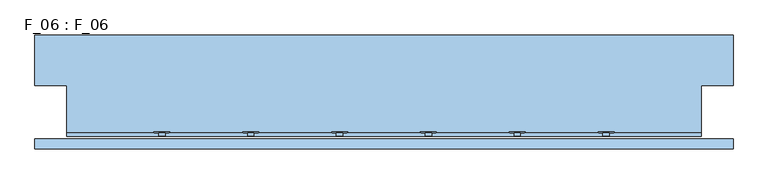
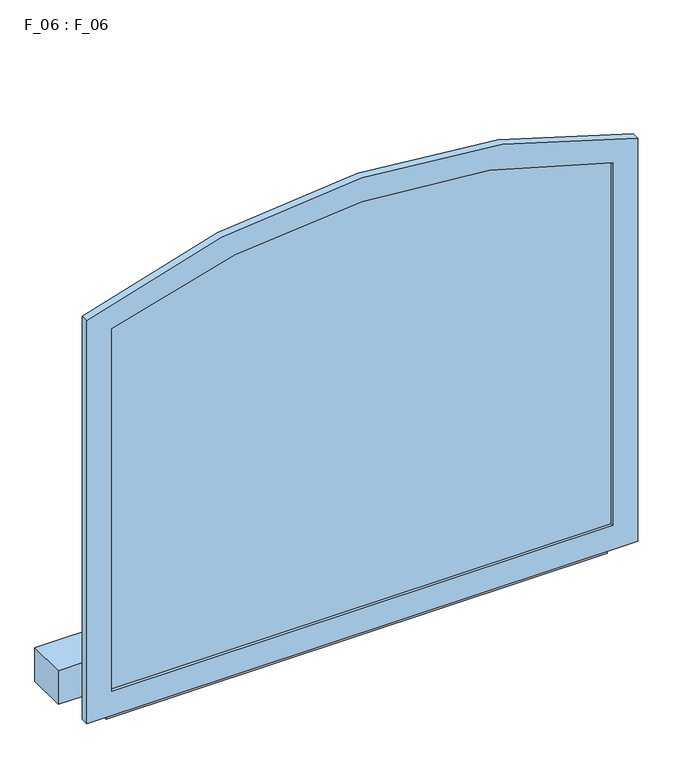
"""IFC4 building model written with IfcOpenShell, lengths in millimetres: window geometry, F_06 : F_06."""

from ifc_helpers import new_model, si_unit, point, frame, frame_2d, origin, place, context, project, spatial, polyline, circle_curve, trimmed, segment, composite_curve, outline, extrude, source, transform, mapped, element, save


def f_06_f_06_097354a1(model_context):
    return source(origin(), model_context, "Body", "SweptSolid", [
        extrude(outline(composite_curve([segment(trimmed(circle_curve(frame_2d((742.432857, 0.0)), 1387.2222222), [point((2036.4133413, 500.0))], [point((2036.4133413, -500.0))], False, "CARTESIAN"), True, "CONTINUOUS"), segment(polyline([(2036.4133413, -500.0), (1271.0, -500.0), (1271.0, 500.0), (2036.4133413, 500.0)]), True, "CONTINUOUS")], self_intersect=False)), frame((0.0, 196.0, 0.0), z_axis=(0.0, 1.0, 0.0), x_axis=(0.0, 0.0, 1.0)), (0.0, 0.0, 1.0), 4.0),
        extrude(outline(composite_curve([segment(polyline([(2070.2535211, -550.0), (1220.0, -550.0), (1220.0, 550.0), (2070.2535211, 550.0)]), True, "CONTINUOUS"), segment(trimmed(circle_curve(frame_2d((742.432857, 0.0)), 1437.2222222), [point((2070.2535211, 550.0))], [point((2070.2535211, -550.0))], False, "CARTESIAN"), True, "CONTINUOUS")], self_intersect=False), holes=[composite_curve([segment(trimmed(circle_curve(frame_2d((742.432857, 0.0)), 1387.2222222), [point((2036.4133413, -500.0))], [point((2036.4133413, 500.0))], True, "CARTESIAN"), True, "CONTINUOUS"), segment(polyline([(2036.4133413, 500.0), (1271.0, 500.0), (1271.0, -500.0), (2036.4133413, -500.0)]), True, "CONTINUOUS")], self_intersect=False)]), frame((0.0, 190.0, 0.0), z_axis=(0.0, 1.0, 0.0), x_axis=(0.0, 0.0, 1.0)), (0.0, 0.0, 1.0), 16.0),
        extrude(outline(composite_curve([segment(trimmed(circle_curve(frame_2d((1441.0, 350.0)), 12.5), [point((1441.0, 337.5))], [point((1441.0, 362.5))], False, "CARTESIAN"), True, "CONTINUOUS"), segment(trimmed(circle_curve(frame_2d((1441.0, 350.0)), 12.5), [point((1441.0, 362.5))], [point((1441.0, 337.5))], False, "CARTESIAN"), True, "CONTINUOUS")], self_intersect=False)), frame((0.0, 215.0, 0.0), z_axis=(0.0, 1.0, 0.0), x_axis=(0.0, 0.0, 1.0)), (0.0, 0.0, 1.0), 2.0),
        extrude(outline(composite_curve([segment(trimmed(circle_curve(frame_2d((1441.0, 210.0)), 12.5), [point((1441.0, 197.5))], [point((1441.0, 222.5))], False, "CARTESIAN"), True, "CONTINUOUS"), segment(trimmed(circle_curve(frame_2d((1441.0, 210.0)), 12.5), [point((1441.0, 222.5))], [point((1441.0, 197.5))], False, "CARTESIAN"), True, "CONTINUOUS")], self_intersect=False)), frame((0.0, 215.0, 0.0), z_axis=(0.0, 1.0, 0.0), x_axis=(0.0, 0.0, 1.0)), (0.0, 0.0, 1.0), 2.0),
        extrude(outline(composite_curve([segment(trimmed(circle_curve(frame_2d((1441.0, 70.0)), 12.5), [point((1441.0, 57.5))], [point((1441.0, 82.5))], False, "CARTESIAN"), True, "CONTINUOUS"), segment(trimmed(circle_curve(frame_2d((1441.0, 70.0)), 12.5), [point((1441.0, 82.5))], [point((1441.0, 57.5))], False, "CARTESIAN"), True, "CONTINUOUS")], self_intersect=False)), frame((0.0, 215.0, 0.0), z_axis=(0.0, 1.0, 0.0), x_axis=(0.0, 0.0, 1.0)), (0.0, 0.0, 1.0), 2.0),
        extrude(outline(composite_curve([segment(trimmed(circle_curve(frame_2d((1441.0, -70.0)), 12.5), [point((1441.0, -82.5))], [point((1441.0, -57.5))], False, "CARTESIAN"), True, "CONTINUOUS"), segment(trimmed(circle_curve(frame_2d((1441.0, -70.0)), 12.5), [point((1441.0, -57.5))], [point((1441.0, -82.5))], False, "CARTESIAN"), True, "CONTINUOUS")], self_intersect=False)), frame((0.0, 215.0, 0.0), z_axis=(0.0, 1.0, 0.0), x_axis=(0.0, 0.0, 1.0)), (0.0, 0.0, 1.0), 2.0),
        extrude(outline(composite_curve([segment(trimmed(circle_curve(frame_2d((1441.0, -210.0)), 12.5), [point((1441.0, -222.5))], [point((1441.0, -197.5))], False, "CARTESIAN"), True, "CONTINUOUS"), segment(trimmed(circle_curve(frame_2d((1441.0, -210.0)), 12.5), [point((1441.0, -197.5))], [point((1441.0, -222.5))], False, "CARTESIAN"), True, "CONTINUOUS")], self_intersect=False)), frame((0.0, 215.0, 0.0), z_axis=(0.0, 1.0, 0.0), x_axis=(0.0, 0.0, 1.0)), (0.0, 0.0, 1.0), 2.0),
        extrude(outline(composite_curve([segment(trimmed(circle_curve(frame_2d((1441.0, -350.0)), 12.5), [point((1441.0, -362.5))], [point((1441.0, -337.5))], False, "CARTESIAN"), True, "CONTINUOUS"), segment(trimmed(circle_curve(frame_2d((1441.0, -350.0)), 12.5), [point((1441.0, -337.5))], [point((1441.0, -362.5))], False, "CARTESIAN"), True, "CONTINUOUS")], self_intersect=False)), frame((0.0, 215.0, 0.0), z_axis=(0.0, 1.0, 0.0), x_axis=(0.0, 0.0, 1.0)), (0.0, 0.0, 1.0), 2.0),
        extrude(outline(composite_curve([segment(trimmed(circle_curve(frame_2d((1601.0, 350.0)), 12.5), [point((1601.0, 337.5))], [point((1601.0, 362.5))], False, "CARTESIAN"), True, "CONTINUOUS"), segment(trimmed(circle_curve(frame_2d((1601.0, 350.0)), 12.5), [point((1601.0, 362.5))], [point((1601.0, 337.5))], False, "CARTESIAN"), True, "CONTINUOUS")], self_intersect=False)), frame((0.0, 215.0, 0.0), z_axis=(0.0, 1.0, 0.0), x_axis=(0.0, 0.0, 1.0)), (0.0, 0.0, 1.0), 2.0),
        extrude(outline(composite_curve([segment(trimmed(circle_curve(frame_2d((1601.0, 210.0)), 12.5), [point((1601.0, 197.5))], [point((1601.0, 222.5))], False, "CARTESIAN"), True, "CONTINUOUS"), segment(trimmed(circle_curve(frame_2d((1601.0, 210.0)), 12.5), [point((1601.0, 222.5))], [point((1601.0, 197.5))], False, "CARTESIAN"), True, "CONTINUOUS")], self_intersect=False)), frame((0.0, 215.0, 0.0), z_axis=(0.0, 1.0, 0.0), x_axis=(0.0, 0.0, 1.0)), (0.0, 0.0, 1.0), 2.0),
        extrude(outline(composite_curve([segment(trimmed(circle_curve(frame_2d((1601.0, 70.0)), 12.5), [point((1601.0, 57.5))], [point((1601.0, 82.5))], False, "CARTESIAN"), True, "CONTINUOUS"), segment(trimmed(circle_curve(frame_2d((1601.0, 70.0)), 12.5), [point((1601.0, 82.5))], [point((1601.0, 57.5))], False, "CARTESIAN"), True, "CONTINUOUS")], self_intersect=False)), frame((0.0, 215.0, 0.0), z_axis=(0.0, 1.0, 0.0), x_axis=(0.0, 0.0, 1.0)), (0.0, 0.0, 1.0), 2.0),
        extrude(outline(composite_curve([segment(trimmed(circle_curve(frame_2d((1601.0, -70.0)), 12.5), [point((1601.0, -82.5))], [point((1601.0, -57.5))], False, "CARTESIAN"), True, "CONTINUOUS"), segment(trimmed(circle_curve(frame_2d((1601.0, -70.0)), 12.5), [point((1601.0, -57.5))], [point((1601.0, -82.5))], False, "CARTESIAN"), True, "CONTINUOUS")], self_intersect=False)), frame((0.0, 215.0, 0.0), z_axis=(0.0, 1.0, 0.0), x_axis=(0.0, 0.0, 1.0)), (0.0, 0.0, 1.0), 2.0),
        extrude(outline(composite_curve([segment(trimmed(circle_curve(frame_2d((1601.0, -210.0)), 12.5), [point((1601.0, -222.5))], [point((1601.0, -197.5))], False, "CARTESIAN"), True, "CONTINUOUS"), segment(trimmed(circle_curve(frame_2d((1601.0, -210.0)), 12.5), [point((1601.0, -197.5))], [point((1601.0, -222.5))], False, "CARTESIAN"), True, "CONTINUOUS")], self_intersect=False)), frame((0.0, 215.0, 0.0), z_axis=(0.0, 1.0, 0.0), x_axis=(0.0, 0.0, 1.0)), (0.0, 0.0, 1.0), 2.0),
        extrude(outline(composite_curve([segment(trimmed(circle_curve(frame_2d((1601.0, -350.0)), 12.5), [point((1601.0, -362.5))], [point((1601.0, -337.5))], False, "CARTESIAN"), True, "CONTINUOUS"), segment(trimmed(circle_curve(frame_2d((1601.0, -350.0)), 12.5), [point((1601.0, -337.5))], [point((1601.0, -362.5))], False, "CARTESIAN"), True, "CONTINUOUS")], self_intersect=False)), frame((0.0, 215.0, 0.0), z_axis=(0.0, 1.0, 0.0), x_axis=(0.0, 0.0, 1.0)), (0.0, 0.0, 1.0), 2.0),
        extrude(outline(composite_curve([segment(polyline([(1606.0, 65.0), (1606.0, -65.0), (2127.1303147, -65.0)]), True, "CONTINUOUS"), segment(trimmed(circle_curve(frame_2d((742.432857, 0.0)), 1386.2222222), [point((2127.1303147, -65.0))], [point((2126.6246968, -75.0))], False, "CARTESIAN"), True, "CONTINUOUS"), segment(polyline([(2126.6246968, -75.0), (1606.0, -75.0), (1606.0, -205.0), (2113.4131812, -205.0)]), True, "CONTINUOUS"), segment(trimmed(circle_curve(frame_2d((742.432857, 0.0)), 1386.2222222), [point((2113.4131812, -205.0))], [point((2111.8805739, -215.0))], False, "CARTESIAN"), True, "CONTINUOUS"), segment(polyline([(2111.8805739, -215.0), (1606.0, -215.0), (1606.0, -345.0), (2085.0374337, -345.0)]), True, "CONTINUOUS"), segment(trimmed(circle_curve(frame_2d((742.432857, 0.0)), 1386.2222222), [point((2085.0374337, -345.0))], [point((2082.4280247, -355.0))], False, "CARTESIAN"), True, "CONTINUOUS"), segment(polyline([(2082.4280247, -355.0), (1606.0, -355.0), (1606.0, -500.0), (1596.0, -500.0), (1596.0, -355.0), (1446.0, -355.0), (1446.0, -500.0), (1436.0, -500.0), (1436.0, -355.0), (1271.0, -355.0), (1271.0, -345.0), (1436.0, -345.0), (1436.0, -215.0), (1271.0, -215.0), (1271.0, -205.0), (1436.0, -205.0), (1436.0, -75.0), (1271.0, -75.0), (1271.0, -65.0), (1436.0, -65.0), (1436.0, 65.0), (1271.0, 65.0), (1271.0, 75.0), (1436.0, 75.0), (1436.0, 205.0), (1271.0, 205.0), (1271.0, 215.0), (1436.0, 215.0), (1436.0, 345.0), (1271.0, 345.0), (1271.0, 355.0), (1436.0, 355.0), (1436.0, 500.0), (1446.0, 500.0), (1446.0, 355.0), (1596.0, 355.0), (1596.0, 500.0), (1606.0, 500.0), (1606.0, 355.0), (2082.4280247, 355.0)]), True, "CONTINUOUS"), segment(trimmed(circle_curve(frame_2d((742.432857, 0.0)), 1386.2222222), [point((2082.4280247, 355.0))], [point((2085.0374337, 345.0))], False, "CARTESIAN"), True, "CONTINUOUS"), segment(polyline([(2085.0374337, 345.0), (1606.0, 345.0), (1606.0, 215.0), (2111.8805739, 215.0)]), True, "CONTINUOUS"), segment(trimmed(circle_curve(frame_2d((742.432857, 0.0)), 1386.2222222), [point((2111.8805739, 215.0))], [point((2113.4131812, 205.0))], False, "CARTESIAN"), True, "CONTINUOUS"), segment(polyline([(2113.4131812, 205.0), (1606.0, 205.0), (1606.0, 75.0), (2126.6246968, 75.0)]), True, "CONTINUOUS"), segment(trimmed(circle_curve(frame_2d((742.432857, 0.0)), 1386.2222222), [point((2126.6246968, 75.0))], [point((2127.1303147, 65.0))], False, "CARTESIAN"), True, "CONTINUOUS"), segment(polyline([(2127.1303147, 65.0), (1606.0, 65.0)]), True, "CONTINUOUS")], self_intersect=False), holes=[polyline([(1446.0, 345.0), (1446.0, 215.0), (1596.0, 215.0), (1596.0, 345.0), (1446.0, 345.0)]), polyline([(1446.0, 205.0), (1446.0, 75.0), (1596.0, 75.0), (1596.0, 205.0), (1446.0, 205.0)]), polyline([(1446.0, 65.0), (1446.0, -65.0), (1596.0, -65.0), (1596.0, 65.0), (1446.0, 65.0)]), polyline([(1596.0, -75.0), (1446.0, -75.0), (1446.0, -205.0), (1596.0, -205.0), (1596.0, -75.0)]), polyline([(1446.0, -215.0), (1446.0, -345.0), (1596.0, -345.0), (1596.0, -215.0), (1446.0, -215.0)])]), frame((0.0, 210.0, 0.0), z_axis=(0.0, 1.0, 0.0), x_axis=(0.0, 0.0, 1.0)), (0.0, 0.0, 1.0), 5.0),
        extrude(outline(polyline([(500.0, 210.0), (-500.0, 210.0), (-500.0, 290.0), (-550.0, 290.0), (-550.0, 370.0), (550.0, 370.0), (550.0, 290.0), (500.0, 290.0), (500.0, 210.0)])), frame((0.0, 0.0, 1200.0), z_axis=(0.0, 0.0, 1.0), x_axis=(1.0, 0.0, 0.0)), (0.0, 0.0, 1.0), 71.0),
    ])


if __name__ == "__main__":
    model = new_model("IFC4")
    model_context = context("Model", 3, world=origin())
    ifc_project = project(units=[si_unit("LENGTHUNIT", "METRE", prefix="MILLI")], contexts=[model_context])
    site = spatial("IfcSite", under=ifc_project)
    building = spatial("IfcBuilding", under=site)
    placement = place(None, origin())
    f_06_f_06_shape = f_06_f_06_097354a1(model_context)
    element("IfcWindow", 1, ObjectType="F_06 : F_06", at=placement, inside=building, context=model_context, shape_type="MappedRepresentation", body=[
        mapped(f_06_f_06_shape, transform((0.0, 0.0, 0.0), x_axis=(1.0, 0.0, 0.0), y_axis=(0.0, 1.0, 0.0), z_axis=(0.0, 0.0, 1.0))),
    ])
    save(model, "model.ifc")
